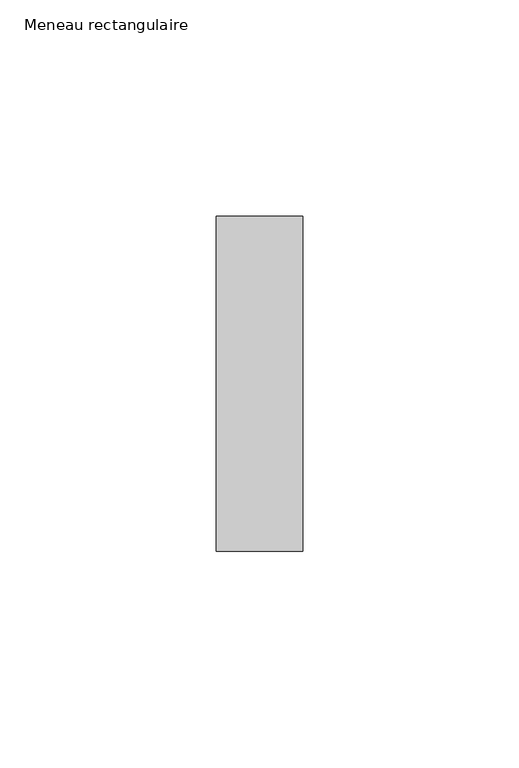
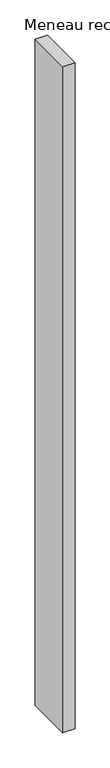
"""IFC4 building model written with IfcOpenShell, lengths in millimetres: member geometry, Meneau rectangulaire."""

from ifc_helpers import new_model, si_unit, frame, origin, place, context, project, spatial, polyline, outline, extrude, source, transform, mapped, element, save


def meneau_rectangulaire_82f5cb43(model_context):
    return source(origin(), model_context, "Body", "SweptSolid", [
        extrude(outline(polyline([(0.0, 38.75), (0.0, -38.75), (-20.0, -38.75), (-20.0, 38.75), (0.0, 38.75)])), frame((0.0, 0.0, -1149.6250002), z_axis=(0.0, 0.0, 1.0), x_axis=(1.0, 0.0, 0.0)), (0.0, 0.0, 1.0), 1149.6250002),
    ])


if __name__ == "__main__":
    model = new_model("IFC4")
    model_context = context("Model", 3, world=origin())
    ifc_project = project(units=[si_unit("LENGTHUNIT", "METRE", prefix="MILLI")], contexts=[model_context])
    site = spatial("IfcSite", under=ifc_project)
    building = spatial("IfcBuilding", under=site)
    placement = place(None, origin())
    meneau_rectangulaire_shape = meneau_rectangulaire_82f5cb43(model_context)
    element("IfcMember", 1, ObjectType="Meneau rectangulaire", at=placement, inside=building, context=model_context, shape_type="MappedRepresentation", body=[
        mapped(meneau_rectangulaire_shape, transform((0.0, 0.0, 0.0), x_axis=(1.0, 0.0, 0.0), y_axis=(0.0, 1.0, 0.0), z_axis=(0.0, 0.0, 1.0))),
    ])
    save(model, "model.ifc")
